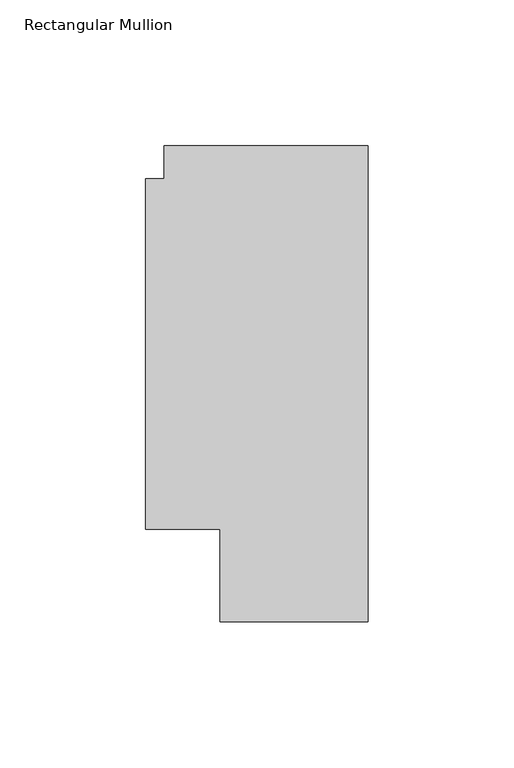
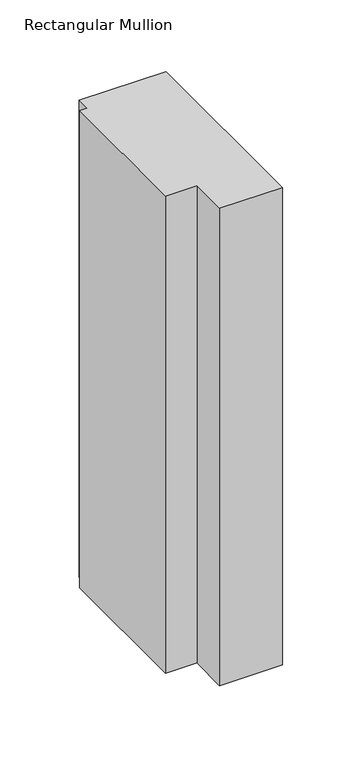
"""IFC4 building model written with IfcOpenShell, lengths in millimetres: member geometry, Rectangular Mullion."""

import ifcopenshell
import ifcopenshell.guid

model = None  # the IFC model being written
_history = None  # IfcOwnerHistory: only IFC2X3 demands one
_inside = {}  # id of a spatial element -> (the spatial element, [elements in it])
_under = {}  # id of a project, library or spatial element -> (it, [spatial elements below it])
_declared = {}  # id of a project -> (the project, [libraries it declares])
_typed = {}  # id of a type object -> (the type object, [elements of that type])
_made_of = {}  # id of a material, layer set ... -> (it, [elements and type objects made of it])


def new_model(schema):
    """Start an empty IFC model of exactly this schema.

    Asked for "IFC4X3", IfcOpenShell would pick the latest addendum, in which some entities
    have other attributes; the version numbers below select the first issue.
    IFC2X3 requires an IfcOwnerHistory on every rooted entity: one is made here for all.
    """
    global model, _history
    if schema == "IFC4X3":
        model = ifcopenshell.file(schema_version=(4, 3, 0, 0))
    else:
        model = ifcopenshell.file(schema=schema)
    _inside.clear()
    _under.clear()
    _declared.clear()
    _typed.clear()
    _made_of.clear()
    _history = None
    if model.schema == "IFC2X3":
        org = make("IfcOrganization", Name="unknown")
        user = make(
            "IfcPersonAndOrganization",
            ThePerson=make("IfcPerson", FamilyName="unknown"),
            TheOrganization=org,
        )
        app = make(
            "IfcApplication",
            ApplicationDeveloper=org,
            Version="unknown",
            ApplicationFullName="unknown",
            ApplicationIdentifier="unknown",
        )
        _history = make(
            "IfcOwnerHistory",
            OwningUser=user,
            OwningApplication=app,
            ChangeAction="ADDED",
            CreationDate=0,
        )
    return model


def make(cls, **values):
    """One entity of the class cls with the attributes given. An attribute that is None is left unset."""
    return model.create_entity(
        cls, **{name: value for name, value in values.items() if value is not None}
    )


def rooted(cls, **values):
    """An entity with a GlobalId (a new one), such as an element, a storey or a relation."""
    return make(cls, GlobalId=ifcopenshell.guid.new(), OwnerHistory=_history, **values)


def si_unit(unit_type, name, prefix=None):
    """IfcSIUnit, for example si_unit("LENGTHUNIT", "METRE", prefix="MILLI")."""
    return make("IfcSIUnit", UnitType=unit_type, Prefix=prefix, Name=name)


def assignment(units):
    """IfcUnitAssignment: the units of a project."""
    return None if units is None else make("IfcUnitAssignment", Units=units)


def point(xyz):
    """IfcCartesianPoint."""
    return None if xyz is None else make("IfcCartesianPoint", Coordinates=xyz)


def direction(xyz):
    """IfcDirection."""
    return None if xyz is None else make("IfcDirection", DirectionRatios=xyz)


def frame(location, z_axis=None, x_axis=None):
    """IfcAxis2Placement3D, a coordinate frame: its origin and axes. An axis left out is left unset."""
    return make(
        "IfcAxis2Placement3D",
        Location=point(location),
        Axis=direction(z_axis),
        RefDirection=direction(x_axis),
    )


def origin():
    """The frame at (0, 0, 0) with its axes left unset."""
    return frame((0.0, 0.0, 0.0))


def place(relative_to, where):
    """IfcLocalPlacement: puts the frame where relative to a parent placement (None: the world)."""
    return make(
        "IfcLocalPlacement", PlacementRelTo=relative_to, RelativePlacement=where
    )


def context(
    kind, dimensions, precision=None, world=None, true_north=None, identifier=None
):
    """IfcGeometricRepresentationContext, for example the 3D "Model" context."""
    return make(
        "IfcGeometricRepresentationContext",
        ContextIdentifier=identifier,
        ContextType=kind,
        CoordinateSpaceDimension=dimensions,
        Precision=precision,
        WorldCoordinateSystem=world,
        TrueNorth=true_north,
    )


def project(units=None, contexts=None):
    """IfcProject with its units and contexts."""
    return rooted(
        "IfcProject",
        Name="project",
        RepresentationContexts=contexts,
        UnitsInContext=assignment(units),
    )


def spatial(cls, under=None, at=None, **own):
    """A site, building, storey or space (cls), placed at a placement, below another one or the project."""
    s = rooted(cls, ObjectPlacement=at, **own)
    if under is not None:
        _under.setdefault(under.id(), (under, []))[1].append(s)
    return s


def polyline(points):
    """IfcPolyline through the points."""
    return make("IfcPolyline", Points=[point(p) for p in points])


def outline(outer, holes=None, kind="AREA"):
    """IfcArbitraryClosedProfileDef: a profile drawn as a closed curve; with holes, ...WithVoids."""
    if holes is None:
        return make("IfcArbitraryClosedProfileDef", ProfileType=kind, OuterCurve=outer)
    return make(
        "IfcArbitraryProfileDefWithVoids",
        ProfileType=kind,
        OuterCurve=outer,
        InnerCurves=holes,
    )


def extrude(swept, where, along, depth):
    """IfcExtrudedAreaSolid: the profile swept, set in the frame where, extruded along a direction by depth."""
    return make(
        "IfcExtrudedAreaSolid",
        SweptArea=swept,
        Position=where,
        ExtrudedDirection=direction(along),
        Depth=depth,
    )


def shape(context_of_items, identifier, shape_type, items):
    """IfcShapeRepresentation: the items that make up one representation, for example the "Body"."""
    return make(
        "IfcShapeRepresentation",
        ContextOfItems=context_of_items,
        RepresentationIdentifier=identifier,
        RepresentationType=shape_type,
        Items=items,
    )


def source(mapping_origin, context_of_items, identifier, shape_type, items):
    """IfcRepresentationMap: a shape defined once, which mapped items show again and again."""
    return make(
        "IfcRepresentationMap",
        MappingOrigin=mapping_origin,
        MappedRepresentation=shape(context_of_items, identifier, shape_type, items),
    )


def transform(
    local_origin,
    x_axis=None,
    y_axis=None,
    z_axis=None,
    scale=None,
    scale2=None,
    scale3=None,
    uniform=True,
):
    """IfcCartesianTransformationOperator3D, or its non-uniform kind. x_axis, y_axis, z_axis: its Axis1, 2, 3."""
    if uniform:
        return make(
            "IfcCartesianTransformationOperator3D",
            Axis1=direction(x_axis),
            Axis2=direction(y_axis),
            LocalOrigin=point(local_origin),
            Scale=scale,
            Axis3=direction(z_axis),
        )
    return make(
        "IfcCartesianTransformationOperator3DnonUniform",
        Axis1=direction(x_axis),
        Axis2=direction(y_axis),
        LocalOrigin=point(local_origin),
        Scale=scale,
        Axis3=direction(z_axis),
        Scale2=scale2,
        Scale3=scale3,
    )


def mapped(mapping_source, mapping_target):
    """IfcMappedItem: shows the shape of a source again, moved by a transform."""
    return make(
        "IfcMappedItem", MappingSource=mapping_source, MappingTarget=mapping_target
    )


def made_of(thing, what):
    """Note that an element or type object is made of a material, layer set ...; save() writes the relation."""
    if what is not None:
        _made_of.setdefault(what.id(), (what, []))[1].append(thing)
    return thing


def element(
    cls,
    number,
    at=None,
    inside=None,
    cuts=None,
    type_object=None,
    material=None,
    context=None,
    identifier="Body",
    shape_type=None,
    held_by="IfcProductDefinitionShape",
    body=None,
    shapes=None,
    **own,
):
    """One element of the class cls, such as IfcWall. Its Tag is "e" and its number.

    at: its placement. inside: the storey or other place that contains it. cuts: it is an
    opening in that element (IfcRelVoidsElement). A single representation is given by context,
    identifier, shape_type and body (its items); several are given by shapes. held_by: the class
    of the entity that holds the representations. save() writes the other relations.
    """
    e = rooted(cls, Tag="e%d" % number, ObjectPlacement=at, **own)
    if body is not None:
        shapes = [shape(context, identifier, shape_type, body)]
    if shapes is not None:
        e.Representation = make(held_by, Representations=shapes)
    if inside is not None:
        _inside.setdefault(inside.id(), (inside, []))[1].append(e)
    if cuts is not None:
        rooted(
            "IfcRelVoidsElement", RelatingBuildingElement=cuts, RelatedOpeningElement=e
        )
    if type_object is not None:
        _typed.setdefault(type_object.id(), (type_object, []))[1].append(e)
    return made_of(e, material)


def aggregate(whole, parts):
    """IfcRelAggregates: a whole, such as a stair, and the parts it consists of."""
    return rooted("IfcRelAggregates", RelatingObject=whole, RelatedObjects=parts)


def save(model, path):
    """Write the relations noted so far, then the file.

    IfcRelAggregates (storeys below a building ...), IfcRelContainedInSpatialStructure (elements
    in a storey), IfcRelDefinesByType, IfcRelAssociatesMaterial and IfcRelDeclares: one each for
    every whole, place, type object, material and project.
    """
    for whole, parts in _under.values():
        aggregate(whole, parts)
    for where, things in _inside.values():
        rooted(
            "IfcRelContainedInSpatialStructure",
            RelatedElements=things,
            RelatingStructure=where,
        )
    for kind, things in _typed.values():
        rooted("IfcRelDefinesByType", RelatedObjects=things, RelatingType=kind)
    for what, things in _made_of.values():
        rooted("IfcRelAssociatesMaterial", RelatedObjects=things, RelatingMaterial=what)
    for by, libraries in _declared.values():
        rooted("IfcRelDeclares", RelatingContext=by, RelatedDefinitions=libraries)
    model.write(path)


def rectangular_mullion_149b5f11(model_context):
    return source(origin(), model_context, "Body", "SweptSolid", [
        extrude(outline(polyline([(-69.85, 163.068), (0.0, 163.068), (0.0, 0.0), (-50.7999999, 0.0), (-50.7999999, 31.75), (-76.1999999, 31.75), (-76.1999999, 151.892), (-69.85, 151.892), (-69.85, 163.068)])), frame((0.0, 0.0, -407.3643303), z_axis=(0.0, 0.0, 1.0), x_axis=(1.0, 0.0, 0.0)), (0.0, 0.0, 1.0), 407.3643303),
    ])


if __name__ == "__main__":
    model = new_model("IFC4")
    model_context = context("Model", 3, world=origin())
    ifc_project = project(units=[si_unit("LENGTHUNIT", "METRE", prefix="MILLI")], contexts=[model_context])
    site = spatial("IfcSite", under=ifc_project)
    building = spatial("IfcBuilding", under=site)
    placement = place(None, origin())
    rectangular_mullion_shape = rectangular_mullion_149b5f11(model_context)
    element("IfcMember", 1, ObjectType="Rectangular Mullion", at=placement, inside=building, context=model_context, shape_type="MappedRepresentation", body=[
        mapped(rectangular_mullion_shape, transform((0.0, 0.0, 0.0), x_axis=(1.0, 0.0, 0.0), y_axis=(0.0, 1.0, 0.0), z_axis=(0.0, 0.0, 1.0))),
    ])
    save(model, "model.ifc")
